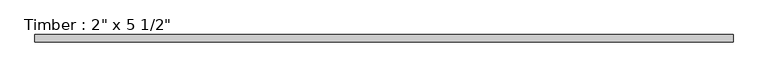
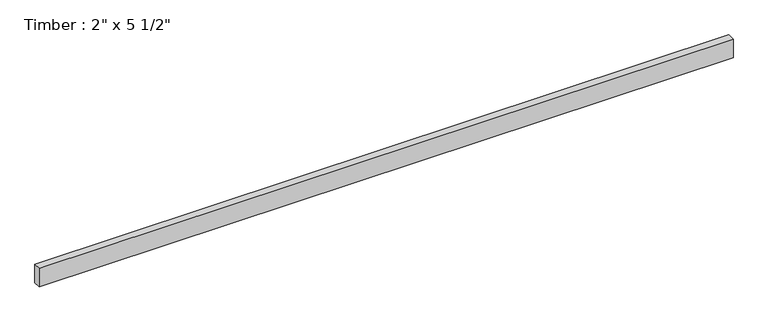
"""IFC4 building model written with IfcOpenShell, lengths in millimetres: beam geometry."""

from ifc_helpers import new_model, si_unit, frame, origin, place, context, project, spatial, polyline, outline, extrude, source, transform, mapped, element, save


def beam_43aa9998(model_context):
    return source(origin(), model_context, "Body", "SweptSolid", [
        extrude(outline(polyline([(2463.921594, 25.4), (2463.921594, -25.4), (-2463.921594, -25.4), (-2463.921594, 25.4), (2463.921594, 25.4)])), frame((0.0, 0.0, -69.85), z_axis=(0.0, 0.0, 1.0), x_axis=(1.0, 0.0, 0.0)), (0.0, 0.0, 1.0), 139.7),
    ])


if __name__ == "__main__":
    model = new_model("IFC4")
    model_context = context("Model", 3, world=origin())
    ifc_project = project(units=[si_unit("LENGTHUNIT", "METRE", prefix="MILLI")], contexts=[model_context])
    site = spatial("IfcSite", under=ifc_project)
    building = spatial("IfcBuilding", under=site)
    placement = place(None, origin())
    beam_shape = beam_43aa9998(model_context)
    element("IfcBeam", 1, ObjectType="Timber : 2\" x 5 1/2\"", at=placement, inside=building, context=model_context, shape_type="MappedRepresentation", body=[
        mapped(beam_shape, transform((0.0, 0.0, 0.0), x_axis=(1.0, 0.0, 0.0), y_axis=(0.0, 1.0, 0.0), z_axis=(0.0, 0.0, 1.0))),
    ])
    save(model, "model.ifc")
